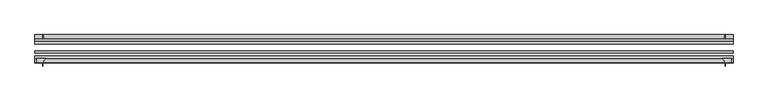
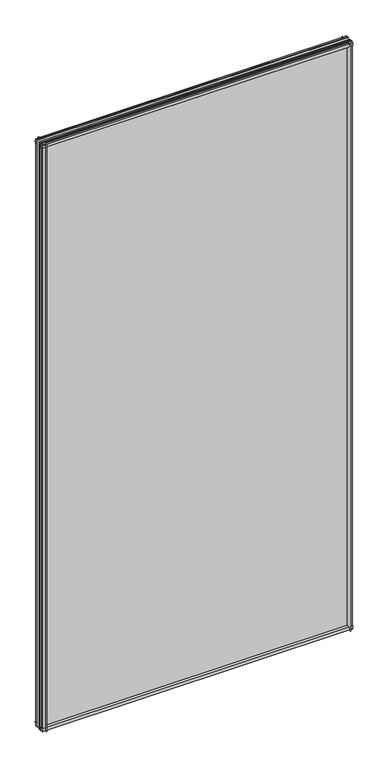
"""IFC4 building model written with IfcOpenShell, lengths in millimetres: plate geometry."""

from ifc_helpers import new_model, si_unit, point, frame, frame_2d, origin, place, context, project, spatial, polyline, circle_curve, trimmed, segment, composite_curve, outline, extrude, source, transform, mapped, element, save


def plate_4e594bf5(model_context):
    return source(origin(), model_context, "Body", "SweptSolid", [
        extrude(outline(composite_curve([segment(polyline([(-42.891075, -11.1125), (-42.891075, 3.8539528)]), True, "CONTINUOUS"), segment(trimmed(circle_curve(frame_2d((-26.637892, 29.5913262)), 30.4397495), [point((-42.891075, 3.8539528))], [point((-33.7745413, 0.0))], True, "CARTESIAN"), True, "CONTINUOUS"), segment(polyline([(-33.7745413, 0.0), (-39.690675, 0.0), (-39.690675, -11.1125), (-42.891075, -11.1125)]), True, "CONTINUOUS")], self_intersect=False)), frame((-508.7794625, 0.0, 0.0), z_axis=(1.0, 0.0, 0.0), x_axis=(0.0, 1.0, 0.0)), (0.0, 0.0, 1.0), 1017.558925),
        extrude(outline(composite_curve([segment(trimmed(circle_curve(frame_2d((-80.4922797, 17.8701603)), 18.6769817), [point((-74.641075, 0.1333891))], [point((-68.291075, 3.72943))], True, "CARTESIAN"), True, "CONTINUOUS"), segment(polyline([(-68.291075, 3.72943), (-68.291075, -10.3251), (-74.641075, -10.3251), (-74.641075, 0.1333891)]), True, "CONTINUOUS")], self_intersect=False)), frame((-508.7794625, 0.0, 0.0), z_axis=(1.0, 0.0, 0.0), x_axis=(0.0, 1.0, 0.0)), (0.0, 0.0, 1.0), 1017.558925),
        extrude(outline(composite_curve([segment(polyline([(-42.891075, 2005.9083472), (-42.891075, 2020.8875), (-39.690675, 2020.8875), (-39.690675, 2009.775), (-33.721675, 2009.775)]), True, "CONTINUOUS"), segment(trimmed(circle_curve(frame_2d((-26.637892, 1980.1709738)), 30.4397495), [point((-33.721675, 2009.775))], [point((-42.891075, 2005.9083472))], True, "CARTESIAN"), True, "CONTINUOUS")], self_intersect=False)), frame((-508.7794625, 0.0, 0.0), z_axis=(1.0, 0.0, 0.0), x_axis=(0.0, 1.0, 0.0)), (0.0, 0.0, 1.0), 1017.558925),
        extrude(outline(composite_curve([segment(polyline([(-68.291075, 2018.5126), (-68.291075, 2005.23912)]), True, "CONTINUOUS"), segment(trimmed(circle_curve(frame_2d((-80.4922797, 1991.0983897)), 18.6769817), [point((-68.291075, 2005.23912))], [point((-74.641075, 2008.8351609))], True, "CARTESIAN"), True, "CONTINUOUS"), segment(polyline([(-74.641075, 2008.8351609), (-74.641075, 2018.5126), (-68.291075, 2018.5126)]), True, "CONTINUOUS")], self_intersect=False)), frame((-508.7794625, 0.0, 0.0), z_axis=(1.0, 0.0, 0.0), x_axis=(0.0, 1.0, 0.0)), (0.0, 0.0, 1.0), 1017.558925),
        extrude(outline(composite_curve([segment(polyline([(493.1310825, -68.291075), (506.4045625, -68.291075), (506.4045625, -74.641075), (497.6669625, -74.641075), (497.6669625, -80.3744844)]), True, "CONTINUOUS"), segment(trimmed(circle_curve(frame_2d((478.9903522, -80.4922797)), 18.6769817), [point((497.6669625, -80.3744844))], [point((493.1310825, -68.291075))], True, "CARTESIAN"), True, "CONTINUOUS")], self_intersect=False)), frame((0.0, 0.0, -11.1125), z_axis=(0.0, 0.0, 1.0), x_axis=(1.0, 0.0, 0.0)), (0.0, 0.0, 1.0), 2032.0),
        extrude(outline(composite_curve([segment(trimmed(circle_curve(frame_2d((468.0629363, -26.637892)), 30.4397495), [point((493.8003097, -42.891075))], [point((497.6669625, -33.721675))], True, "CARTESIAN"), True, "CONTINUOUS"), segment(polyline([(497.6669625, -33.721675), (497.6669625, -39.690675), (508.7794625, -39.690675), (508.7794625, -42.891075), (493.8003097, -42.891075)]), True, "CONTINUOUS")], self_intersect=False)), frame((0.0, 0.0, -11.1125), z_axis=(0.0, 0.0, 1.0), x_axis=(1.0, 0.0, 0.0)), (0.0, 0.0, 1.0), 2032.0),
        extrude(outline(composite_curve([segment(trimmed(circle_curve(frame_2d((-478.9903522, -80.4922797)), 18.6769817), [point((-493.1310825, -68.291075))], [point((-497.6669625, -80.3744844))], True, "CARTESIAN"), True, "CONTINUOUS"), segment(polyline([(-497.6669625, -80.3744844), (-497.6669625, -74.641075), (-506.4045625, -74.641075), (-506.4045625, -68.291075), (-493.1310825, -68.291075)]), True, "CONTINUOUS")], self_intersect=False)), frame((0.0, 0.0, -11.1125), z_axis=(0.0, 0.0, 1.0), x_axis=(1.0, 0.0, 0.0)), (0.0, 0.0, 1.0), 2032.0),
        extrude(outline(composite_curve([segment(polyline([(-493.8003097, -42.891075), (-508.7794625, -42.891075), (-508.7794625, -39.690675), (-497.6669625, -39.690675), (-497.6669625, -33.721675)]), True, "CONTINUOUS"), segment(trimmed(circle_curve(frame_2d((-468.0629363, -26.637892)), 30.4397495), [point((-497.6669625, -33.721675))], [point((-493.8003097, -42.891075))], True, "CARTESIAN"), True, "CONTINUOUS")], self_intersect=False)), frame((0.0, 0.0, -11.1125), z_axis=(0.0, 0.0, 1.0), x_axis=(1.0, 0.0, 0.0)), (0.0, 0.0, 1.0), 2032.0),
        extrude(outline(polyline([(-508.7794625, -42.891075), (508.7794625, -42.891075), (508.7794625, -47.653575), (-508.7794625, -47.653575), (-508.7794625, -42.891075)])), frame((0.0, 0.0, -11.1125), z_axis=(0.0, 0.0, 1.0), x_axis=(1.0, 0.0, 0.0)), (0.0, 0.0, 1.0), 2032.0),
        extrude(outline(polyline([(508.7794625, -57.369075), (508.7794625, -60.544075), (-508.7794625, -60.544075), (-508.7794625, -57.369075), (508.7794625, -57.369075)])), frame((0.0, 0.0, -11.1125), z_axis=(0.0, 0.0, 1.0), x_axis=(1.0, 0.0, 0.0)), (0.0, 0.0, 1.0), 2032.0),
        extrude(outline(polyline([(-508.7794625, -65.116075), (508.7794625, -65.116075), (508.7794625, -68.291075), (-508.7794625, -68.291075), (-508.7794625, -65.116075)])), frame((0.0, 0.0, -11.1125), z_axis=(0.0, 0.0, 1.0), x_axis=(1.0, 0.0, 0.0)), (0.0, 0.0, 1.0), 2032.0),
    ])


if __name__ == "__main__":
    model = new_model("IFC4")
    model_context = context("Model", 3, world=origin())
    ifc_project = project(units=[si_unit("LENGTHUNIT", "METRE", prefix="MILLI")], contexts=[model_context])
    site = spatial("IfcSite", under=ifc_project)
    building = spatial("IfcBuilding", under=site)
    placement = place(None, origin())
    plate_shape = plate_4e594bf5(model_context)
    element("IfcPlate", 1, at=placement, inside=building, context=model_context, shape_type="MappedRepresentation", body=[
        mapped(plate_shape, transform((0.0, 0.0, 0.0), x_axis=(1.0, 0.0, 0.0), y_axis=(0.0, 1.0, 0.0), z_axis=(0.0, 0.0, 1.0))),
    ])
    save(model, "model.ifc")
